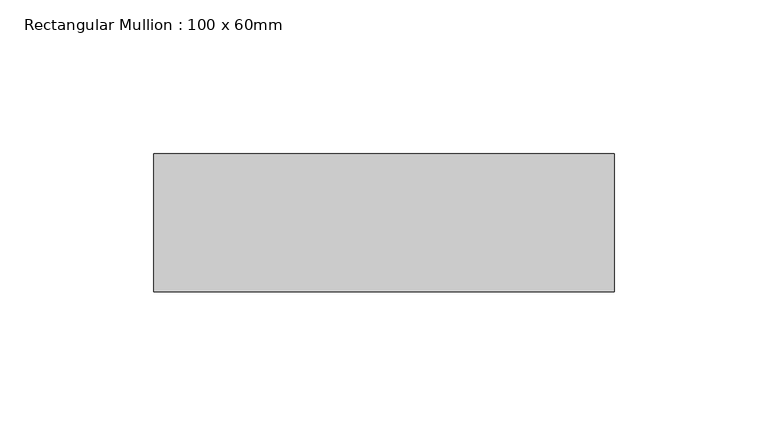
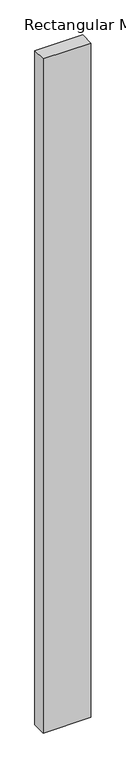
"""IFC4 building model written with IfcOpenShell, lengths in millimetres: member geometry, Rectangular Mullion : 100 x 60mm."""

from ifc_helpers import new_model, si_unit, frame, origin, place, context, project, spatial, polyline, outline, extrude, source, transform, mapped, element, save


def rectangular_mullion_100_x_60mm_d9e82fc6(model_context):
    return source(origin(), model_context, "Body", "SweptSolid", [
        extrude(outline(polyline([(0.0, 30.0), (0.0, -15.0), (-150.0, -15.0), (-150.0, 30.0), (0.0, 30.0)])), frame((0.0, 0.0, -2239.2635189), z_axis=(0.0, 0.0, 1.0), x_axis=(1.0, 0.0, 0.0)), (0.0, 0.0, 1.0), 2239.2635189),
    ])


if __name__ == "__main__":
    model = new_model("IFC4")
    model_context = context("Model", 3, world=origin())
    ifc_project = project(units=[si_unit("LENGTHUNIT", "METRE", prefix="MILLI")], contexts=[model_context])
    site = spatial("IfcSite", under=ifc_project)
    building = spatial("IfcBuilding", under=site)
    placement = place(None, origin())
    rectangular_mullion_100_x_60mm_shape = rectangular_mullion_100_x_60mm_d9e82fc6(model_context)
    element("IfcMember", 1, ObjectType="Rectangular Mullion : 100 x 60mm", at=placement, inside=building, context=model_context, shape_type="MappedRepresentation", body=[
        mapped(rectangular_mullion_100_x_60mm_shape, transform((0.0, 0.0, 0.0), x_axis=(1.0, 0.0, 0.0), y_axis=(0.0, 1.0, 0.0), z_axis=(0.0, 0.0, 1.0))),
    ])
    save(model, "model.ifc")
